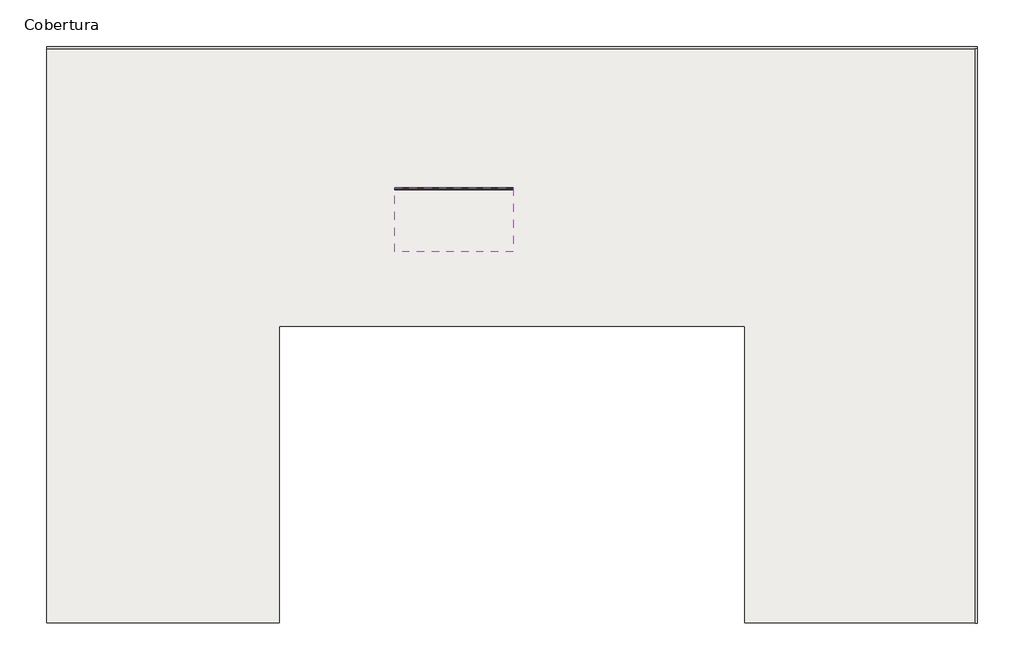
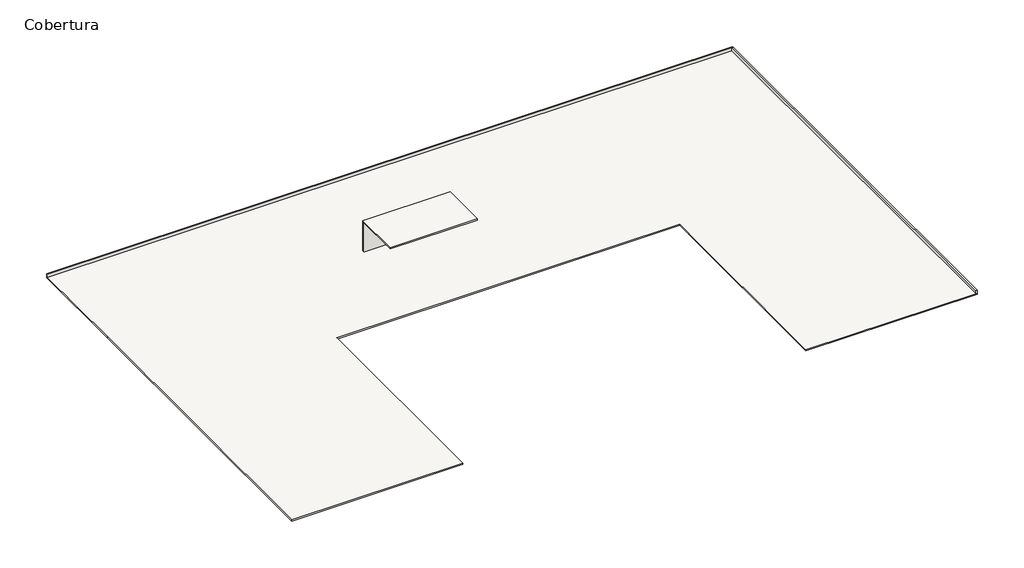
# One storey, part 3 of 3: 3 walls, 2 slabs.
"""IFC4 building model written with IfcOpenShell, lengths in millimetres."""

from ifc_helpers import new_model, si_unit, frame, origin, place, context, project, spatial, polyline, outline, extrude, faceted_brep, element, save

model = new_model("IFC4")

# Units and contexts
model_context = context("Model", 3, world=origin())
ifc_project = project(units=[si_unit("LENGTHUNIT", "METRE", prefix="MILLI")], contexts=[model_context])

# Site, building, storey
site = spatial("IfcSite", under=ifc_project)
building = spatial("IfcBuilding", under=site)
storey = spatial("IfcBuildingStorey", under=building, Name="Cobertura", Elevation=22000.0)

# Slabs
placement = place(None, origin())
element("IfcSlab", 1, ObjectType="150mm Foundation Slab", at=placement, inside=storey, context=model_context, shape_type="SweptSolid", body=[
    extrude(outline(polyline([(53327.6359883, 47982.3438207), (53327.6359883, -6497.6561793), (31362.6359883, -6497.6561793), (31362.6359883, 21561.558475), (-12687.3640117, 21561.558475), (-12687.3640117, -6497.6561793), (-34652.3640117, -6497.6561793), (-34652.3640117, 34482.429968), (-34652.3640117, 47982.3438207), (53327.6359883, 47982.3438207)])), frame((0.0, 0.0, 21850.0), z_axis=(0.0, 0.0, 1.0), x_axis=(1.0, 0.0, 0.0)), (0.0, 0.0, 1.0), 150.0),
])
element("IfcSlab", 2, ObjectType="150mm Foundation Slab", at=placement, inside=storey, context=model_context, shape_type="SweptSolid", body=[
    extrude(outline(polyline([(9437.6359883, 34682.429968), (9437.6359883, 28592.3438207), (-1762.3640117, 28592.3438207), (-1762.3640117, 34682.429968), (9437.6359883, 34682.429968)])), frame((0.0, 0.0, 26000.0), z_axis=(0.0, 0.0, 1.0), x_axis=(1.0, 0.0, 0.0)), (0.0, 0.0, 1.0), 150.0),
])

# Walls
element("IfcWall", 3, ObjectType="Tijolo 20", at=placement, inside=storey, context=model_context, shape_type="Brep", body=[
    faceted_brep([(-34687.3640117, 47817.3438207, 22000.0), (-34487.3640117, 47817.3438207, 22000.0), (53162.6359883, 47817.3438207, 22000.0), (53362.6359883, 47817.3438207, 22000.0), (53362.6359883, 47817.3438207, 22400.0), (53162.6359883, 47817.3438207, 22400.0), (-34487.3640117, 47817.3438207, 22400.0), (-34687.3640117, 47817.3438207, 22400.0), (-34687.3640117, 48017.3438207, 22000.0), (-34687.3640117, 48017.3438207, 22400.0), (53362.6359883, 48017.3438207, 22400.0), (53362.6359883, 48017.3438207, 22000.0)], [[[0, 1, 2, 3, 4, 5, 6, 7]], [[8, 9, 10, 11]], [[3, 2, 1, 0, 8, 11]], [[7, 6, 5, 4, 10, 9]], [[4, 3, 11, 10]], [[0, 7, 9, 8]]]),
])
element("IfcWall", 4, ObjectType="Tijolo 20", at=placement, inside=storey, context=model_context, shape_type="Brep", body=[
    faceted_brep([(53162.6359883, 47817.3438207, 22000.0), (53162.6359883, -6332.6561793, 22000.0), (53162.6359883, -6532.6561793, 22000.0), (53162.6359883, -6532.6561793, 22400.0), (53162.6359883, -6332.6561793, 22400.0), (53162.6359883, 47817.3438207, 22400.0), (53362.6359883, 47817.3438207, 22000.0), (53362.6359883, 47817.3438207, 22400.0), (53362.6359883, -6532.6561793, 22400.0), (53362.6359883, -6532.6561793, 22000.0)], [[[0, 1, 2, 3, 4, 5]], [[6, 7, 8, 9]], [[2, 1, 0, 6, 9]], [[5, 4, 3, 8, 7]], [[0, 5, 7, 6]], [[3, 2, 9, 8]]]),
])
element("IfcWall", 5, ObjectType="Tijolo 20", at=placement, inside=storey, context=model_context, shape_type="Brep", body=[
    faceted_brep([(-1762.3640117, 34482.429968, 22000.0), (-1562.3640117, 34482.429968, 22000.0), (9237.6359883, 34482.429968, 22000.0), (9437.6359883, 34482.429968, 22000.0), (9437.6359883, 34482.429968, 26000.0), (9237.6359883, 34482.429968, 26000.0), (-1562.3640117, 34482.429968, 26000.0), (-1762.3640117, 34482.429968, 26000.0), (-1762.3640117, 34682.429968, 22000.0), (-1762.3640117, 34682.429968, 26000.0), (9437.6359883, 34682.429968, 26000.0), (9437.6359883, 34682.429968, 22000.0)], [[[0, 1, 2, 3, 4, 5, 6, 7]], [[8, 9, 10, 11]], [[3, 2, 1, 0, 8, 11]], [[7, 6, 5, 4, 10, 9]], [[4, 3, 11, 10]], [[0, 7, 9, 8]]]),
])

save(model, "model.ifc")
